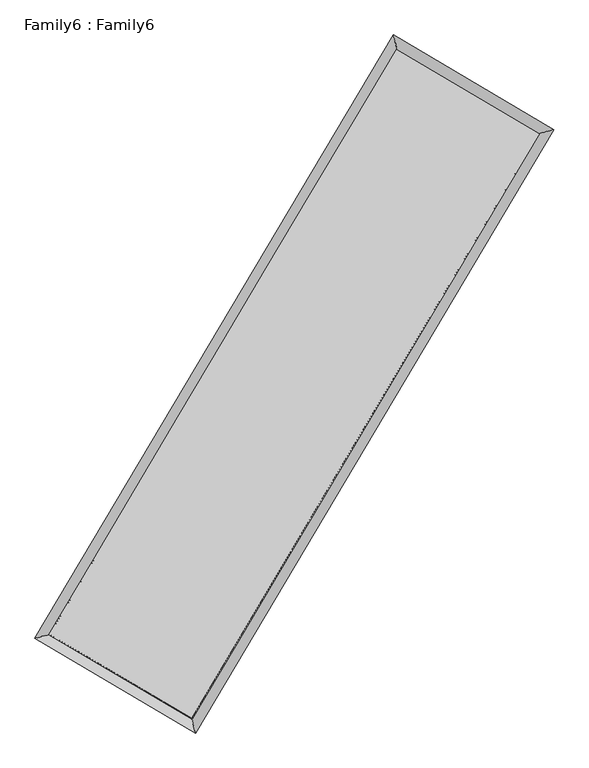
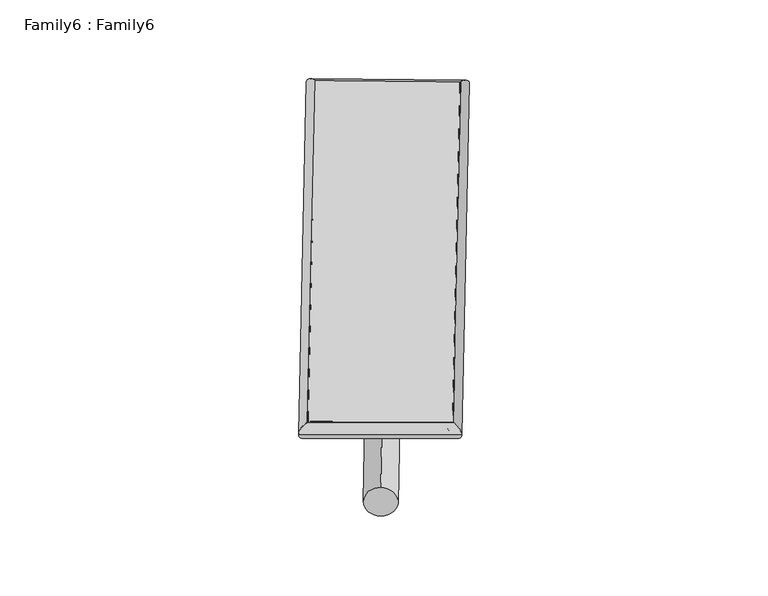
"""IFC4 building model written with IfcOpenShell, lengths in millimetres: plate geometry, Family6 : Family6."""

import ifcopenshell
import ifcopenshell.guid

model = None  # the IFC model being written
_history = None  # IfcOwnerHistory: only IFC2X3 demands one
_inside = {}  # id of a spatial element -> (the spatial element, [elements in it])
_under = {}  # id of a project, library or spatial element -> (it, [spatial elements below it])
_declared = {}  # id of a project -> (the project, [libraries it declares])
_typed = {}  # id of a type object -> (the type object, [elements of that type])
_made_of = {}  # id of a material, layer set ... -> (it, [elements and type objects made of it])


def new_model(schema):
    """Start an empty IFC model of exactly this schema.

    Asked for "IFC4X3", IfcOpenShell would pick the latest addendum, in which some entities
    have other attributes; the version numbers below select the first issue.
    IFC2X3 requires an IfcOwnerHistory on every rooted entity: one is made here for all.
    """
    global model, _history
    if schema == "IFC4X3":
        model = ifcopenshell.file(schema_version=(4, 3, 0, 0))
    else:
        model = ifcopenshell.file(schema=schema)
    _inside.clear()
    _under.clear()
    _declared.clear()
    _typed.clear()
    _made_of.clear()
    _history = None
    if model.schema == "IFC2X3":
        org = make("IfcOrganization", Name="unknown")
        user = make(
            "IfcPersonAndOrganization",
            ThePerson=make("IfcPerson", FamilyName="unknown"),
            TheOrganization=org,
        )
        app = make(
            "IfcApplication",
            ApplicationDeveloper=org,
            Version="unknown",
            ApplicationFullName="unknown",
            ApplicationIdentifier="unknown",
        )
        _history = make(
            "IfcOwnerHistory",
            OwningUser=user,
            OwningApplication=app,
            ChangeAction="ADDED",
            CreationDate=0,
        )
    return model


def make(cls, **values):
    """One entity of the class cls with the attributes given. An attribute that is None is left unset."""
    return model.create_entity(
        cls, **{name: value for name, value in values.items() if value is not None}
    )


def rooted(cls, **values):
    """An entity with a GlobalId (a new one), such as an element, a storey or a relation."""
    return make(cls, GlobalId=ifcopenshell.guid.new(), OwnerHistory=_history, **values)


def si_unit(unit_type, name, prefix=None):
    """IfcSIUnit, for example si_unit("LENGTHUNIT", "METRE", prefix="MILLI")."""
    return make("IfcSIUnit", UnitType=unit_type, Prefix=prefix, Name=name)


def assignment(units):
    """IfcUnitAssignment: the units of a project."""
    return None if units is None else make("IfcUnitAssignment", Units=units)


def point(xyz):
    """IfcCartesianPoint."""
    return None if xyz is None else make("IfcCartesianPoint", Coordinates=xyz)


def direction(xyz):
    """IfcDirection."""
    return None if xyz is None else make("IfcDirection", DirectionRatios=xyz)


def frame(location, z_axis=None, x_axis=None):
    """IfcAxis2Placement3D, a coordinate frame: its origin and axes. An axis left out is left unset."""
    return make(
        "IfcAxis2Placement3D",
        Location=point(location),
        Axis=direction(z_axis),
        RefDirection=direction(x_axis),
    )


def frame_2d(location, x_axis=None):
    """IfcAxis2Placement2D, a coordinate frame in the plane: its origin and x axis."""
    return make(
        "IfcAxis2Placement2D", Location=point(location), RefDirection=direction(x_axis)
    )


def origin():
    """The frame at (0, 0, 0) with its axes left unset."""
    return frame((0.0, 0.0, 0.0))


def origin_2d():
    """The frame at (0, 0) in the plane with its x axis left unset."""
    return frame_2d((0.0, 0.0))


def place(relative_to, where):
    """IfcLocalPlacement: puts the frame where relative to a parent placement (None: the world)."""
    return make(
        "IfcLocalPlacement", PlacementRelTo=relative_to, RelativePlacement=where
    )


def context(
    kind, dimensions, precision=None, world=None, true_north=None, identifier=None
):
    """IfcGeometricRepresentationContext, for example the 3D "Model" context."""
    return make(
        "IfcGeometricRepresentationContext",
        ContextIdentifier=identifier,
        ContextType=kind,
        CoordinateSpaceDimension=dimensions,
        Precision=precision,
        WorldCoordinateSystem=world,
        TrueNorth=true_north,
    )


def project(units=None, contexts=None):
    """IfcProject with its units and contexts."""
    return rooted(
        "IfcProject",
        Name="project",
        RepresentationContexts=contexts,
        UnitsInContext=assignment(units),
    )


def spatial(cls, under=None, at=None, **own):
    """A site, building, storey or space (cls), placed at a placement, below another one or the project."""
    s = rooted(cls, ObjectPlacement=at, **own)
    if under is not None:
        _under.setdefault(under.id(), (under, []))[1].append(s)
    return s


def circle_curve(where, radius):
    """IfcCircle in the frame where."""
    return make("IfcCircle", Position=where, Radius=radius)


def ellipse_curve(where, semi_axis1, semi_axis2):
    """IfcEllipse in the frame where."""
    return make(
        "IfcEllipse", Position=where, SemiAxis1=semi_axis1, SemiAxis2=semi_axis2
    )


def trimmed(basis, trim1, trim2, sense, master):
    """IfcTrimmedCurve: the piece of a basis curve between two trims."""
    return make(
        "IfcTrimmedCurve",
        BasisCurve=basis,
        Trim1=trim1,
        Trim2=trim2,
        SenseAgreement=sense,
        MasterRepresentation=master,
    )


def segment(curve, same_sense, transition):
    """IfcCompositeCurveSegment."""
    return make(
        "IfcCompositeCurveSegment",
        Transition=transition,
        SameSense=same_sense,
        ParentCurve=curve,
    )


def composite_curve(segments, self_intersect=None):
    """IfcCompositeCurve: segments joined end to end."""
    return make("IfcCompositeCurve", Segments=segments, SelfIntersect=self_intersect)


def outline(outer, holes=None, kind="AREA"):
    """IfcArbitraryClosedProfileDef: a profile drawn as a closed curve; with holes, ...WithVoids."""
    if holes is None:
        return make("IfcArbitraryClosedProfileDef", ProfileType=kind, OuterCurve=outer)
    return make(
        "IfcArbitraryProfileDefWithVoids",
        ProfileType=kind,
        OuterCurve=outer,
        InnerCurves=holes,
    )


def extrude(swept, where, along, depth):
    """IfcExtrudedAreaSolid: the profile swept, set in the frame where, extruded along a direction by depth."""
    return make(
        "IfcExtrudedAreaSolid",
        SweptArea=swept,
        Position=where,
        ExtrudedDirection=direction(along),
        Depth=depth,
    )


def shape(context_of_items, identifier, shape_type, items):
    """IfcShapeRepresentation: the items that make up one representation, for example the "Body"."""
    return make(
        "IfcShapeRepresentation",
        ContextOfItems=context_of_items,
        RepresentationIdentifier=identifier,
        RepresentationType=shape_type,
        Items=items,
    )


def source(mapping_origin, context_of_items, identifier, shape_type, items):
    """IfcRepresentationMap: a shape defined once, which mapped items show again and again."""
    return make(
        "IfcRepresentationMap",
        MappingOrigin=mapping_origin,
        MappedRepresentation=shape(context_of_items, identifier, shape_type, items),
    )


def transform(
    local_origin,
    x_axis=None,
    y_axis=None,
    z_axis=None,
    scale=None,
    scale2=None,
    scale3=None,
    uniform=True,
):
    """IfcCartesianTransformationOperator3D, or its non-uniform kind. x_axis, y_axis, z_axis: its Axis1, 2, 3."""
    if uniform:
        return make(
            "IfcCartesianTransformationOperator3D",
            Axis1=direction(x_axis),
            Axis2=direction(y_axis),
            LocalOrigin=point(local_origin),
            Scale=scale,
            Axis3=direction(z_axis),
        )
    return make(
        "IfcCartesianTransformationOperator3DnonUniform",
        Axis1=direction(x_axis),
        Axis2=direction(y_axis),
        LocalOrigin=point(local_origin),
        Scale=scale,
        Axis3=direction(z_axis),
        Scale2=scale2,
        Scale3=scale3,
    )


def mapped(mapping_source, mapping_target):
    """IfcMappedItem: shows the shape of a source again, moved by a transform."""
    return make(
        "IfcMappedItem", MappingSource=mapping_source, MappingTarget=mapping_target
    )


def made_of(thing, what):
    """Note that an element or type object is made of a material, layer set ...; save() writes the relation."""
    if what is not None:
        _made_of.setdefault(what.id(), (what, []))[1].append(thing)
    return thing


def element(
    cls,
    number,
    at=None,
    inside=None,
    cuts=None,
    type_object=None,
    material=None,
    context=None,
    identifier="Body",
    shape_type=None,
    held_by="IfcProductDefinitionShape",
    body=None,
    shapes=None,
    **own,
):
    """One element of the class cls, such as IfcWall. Its Tag is "e" and its number.

    at: its placement. inside: the storey or other place that contains it. cuts: it is an
    opening in that element (IfcRelVoidsElement). A single representation is given by context,
    identifier, shape_type and body (its items); several are given by shapes. held_by: the class
    of the entity that holds the representations. save() writes the other relations.
    """
    e = rooted(cls, Tag="e%d" % number, ObjectPlacement=at, **own)
    if body is not None:
        shapes = [shape(context, identifier, shape_type, body)]
    if shapes is not None:
        e.Representation = make(held_by, Representations=shapes)
    if inside is not None:
        _inside.setdefault(inside.id(), (inside, []))[1].append(e)
    if cuts is not None:
        rooted(
            "IfcRelVoidsElement", RelatingBuildingElement=cuts, RelatedOpeningElement=e
        )
    if type_object is not None:
        _typed.setdefault(type_object.id(), (type_object, []))[1].append(e)
    return made_of(e, material)


def aggregate(whole, parts):
    """IfcRelAggregates: a whole, such as a stair, and the parts it consists of."""
    return rooted("IfcRelAggregates", RelatingObject=whole, RelatedObjects=parts)


def save(model, path):
    """Write the relations noted so far, then the file.

    IfcRelAggregates (storeys below a building ...), IfcRelContainedInSpatialStructure (elements
    in a storey), IfcRelDefinesByType, IfcRelAssociatesMaterial and IfcRelDeclares: one each for
    every whole, place, type object, material and project.
    """
    for whole, parts in _under.values():
        aggregate(whole, parts)
    for where, things in _inside.values():
        rooted(
            "IfcRelContainedInSpatialStructure",
            RelatedElements=things,
            RelatingStructure=where,
        )
    for kind, things in _typed.values():
        rooted("IfcRelDefinesByType", RelatedObjects=things, RelatingType=kind)
    for what, things in _made_of.values():
        rooted("IfcRelAssociatesMaterial", RelatedObjects=things, RelatingMaterial=what)
    for by, libraries in _declared.values():
        rooted("IfcRelDeclares", RelatingContext=by, RelatedDefinitions=libraries)
    model.write(path)


def plane_surface(at):
    """IfcPlane: the flat surface through the origin of the frame at, square to its z axis."""
    return make("IfcPlane", Position=at)


def cylinder_surface(at, radius):
    """IfcCylindricalSurface: all points at the distance radius from the z axis of the frame at."""
    return make("IfcCylindricalSurface", Position=at, Radius=radius)


def spline_surface(u_degree, v_degree, points, u_multiplicities, v_multiplicities, u_knots, v_knots, weights=None):
    """IfcBSplineSurfaceWithKnots; with weights, IfcRationalBSplineSurfaceWithKnots. points: one row for each step in u."""
    own = dict(
        UDegree=u_degree,
        VDegree=v_degree,
        ControlPointsList=[[point(p) for p in row] for row in points],
        SurfaceForm="UNSPECIFIED",
        UClosed=False,
        VClosed=False,
        SelfIntersect=False,
        UMultiplicities=u_multiplicities,
        VMultiplicities=v_multiplicities,
        UKnots=u_knots,
        VKnots=v_knots,
        KnotSpec="UNSPECIFIED",
    )
    if weights is None:
        return make("IfcBSplineSurfaceWithKnots", **own)
    return make("IfcRationalBSplineSurfaceWithKnots", WeightsData=weights, **own)


def advanced_brep(points, edges, surfaces, faces):
    """IfcAdvancedBrep: a solid bounded by faces that lie on surfaces and meet in shared edges.

    An edge is (start, end): straight between two places in points (the first is 0);
    or (start, end, curve); or (start, end, curve, False) where it runs against its curve.
    A face is (place in surfaces, loops), or (place, loops, False) where it looks against
    its surface's normal. A loop lists edges by number (the first is 1), with a minus sign
    where the edge is run from its end to its start. The first loop is the outer one.
    """
    corners = [point(p) for p in points]
    vertices = [make("IfcVertexPoint", VertexGeometry=c) for c in corners]
    made = []
    for start, end, *more in edges:
        made.append(
            make(
                "IfcEdgeCurve",
                EdgeStart=vertices[start],
                EdgeEnd=vertices[end],
                EdgeGeometry=more[0] if more else make("IfcPolyline", Points=[corners[start], corners[end]]),
                SameSense=more[1] if len(more) > 1 else True,
            )
        )
    hull = []
    for where, loops, *sense in faces:
        bounds = []
        for j, loop in enumerate(loops):
            ring = [make("IfcOrientedEdge", EdgeElement=made[abs(k) - 1], Orientation=k > 0) for k in loop]
            bounds.append(
                make(
                    "IfcFaceOuterBound" if j == 0 else "IfcFaceBound",
                    Bound=make("IfcEdgeLoop", EdgeList=ring),
                    Orientation=True,
                )
            )
        hull.append(make("IfcAdvancedFace", Bounds=bounds, FaceSurface=surfaces[where], SameSense=sense[0] if sense else True))
    return make("IfcAdvancedBrep", Outer=make("IfcClosedShell", CfsFaces=hull))


def family6_family6_b0c54675(model_context):
    return source(origin(), model_context, "Body", "SolidModel", [
        extrude(outline(composite_curve([segment(trimmed(circle_curve(origin_2d(), 76.2), [point((-75.4341514, -10.7763073))], [point((75.4341514, 10.7763073))], False, "CARTESIAN"), True, "CONTINUOUS"), segment(trimmed(circle_curve(origin_2d(), 76.2), [point((75.4341514, 10.7763073))], [point((-75.4341514, -10.7763073))], False, "CARTESIAN"), True, "CONTINUOUS")], self_intersect=False)), frame((9144.0, 9144.0, 0.0), z_axis=(0.6735720022885241, 0.6872191155788132, 0.2720857308204575), x_axis=(-0.6791672552516157, 0.7207054562642017, -0.13898015939333003)), (0.0, 0.0, 1.0), 5569.8427399),
        extrude(outline(composite_curve([segment(trimmed(circle_curve(origin_2d(), 76.2), [point((-53.8815367, 53.8815368))], [point((53.8815367, -53.8815368))], False, "CARTESIAN"), True, "CONTINUOUS"), segment(trimmed(circle_curve(origin_2d(), 76.2), [point((53.8815367, -53.8815368))], [point((-53.8815367, 53.8815368))], False, "CARTESIAN"), True, "CONTINUOUS")], self_intersect=False)), frame((9144.0, 9144.0, 0.0), z_axis=(-0.6737752279911029, -0.687025049641472, 0.2720726434441182), x_axis=(0.6406390901459785, -0.3596181837785868, 0.6784219321872809)), (0.0, 0.0, 1.0), 5570.1849213),
        extrude(outline(composite_curve([segment(trimmed(circle_curve(origin_2d(), 76.2), [point((-53.8815367, -53.8815367))], [point((53.8815367, 53.8815367))], False, "CARTESIAN"), True, "CONTINUOUS"), segment(trimmed(circle_curve(origin_2d(), 76.2), [point((53.8815367, 53.8815367))], [point((-53.8815367, -53.8815367))], False, "CARTESIAN"), True, "CONTINUOUS")], self_intersect=False)), frame((9144.0, 9144.0, 0.0), z_axis=(0.2810625362451459, 0.9195212950497594, 0.2747443150812396), x_axis=(-0.8387387742500297, 0.37448767806906813, -0.3953179069356657)), (0.0, 0.0, 1.0), 5565.8476054),
        extrude(outline(composite_curve([segment(trimmed(circle_curve(origin_2d(), 76.2), [point((-75.4341514, 10.7763074))], [point((75.4341514, -10.7763074))], False, "CARTESIAN"), True, "CONTINUOUS"), segment(trimmed(circle_curve(origin_2d(), 76.2), [point((75.4341514, -10.7763074))], [point((-75.4341514, 10.7763074))], False, "CARTESIAN"), True, "CONTINUOUS")], self_intersect=False)), frame((9144.0, 9144.0, 0.0), z_axis=(-0.2807689709056762, -0.9196085596622728, 0.27475240121325184), x_axis=(0.8764469274098714, -0.12899166690682048, 0.4638986239496681)), (0.0, 0.0, 1.0), 5565.6730182),
        advanced_brep(
        [(5181.7989207, 5263.5502352, 1516.5929388), (5600.1023126, 5370.7456643, 1516.8806372), (5600.0958487, 5370.7366207, 1514.3969332), (10761.7374297, 14053.4901133, 1527.6859638), (10654.965059, 14470.3406831, 1530.6840126), (5181.7924568, 5263.5411915, 1514.1092349), (12686.5887461, 12918.1067464, 1515.620982), (13104.7915074, 13025.2980569, 1515.3284829), (7527.8841336, 4234.18414, 1528.9267987), (7634.7792949, 3817.3347643, 1529.4372535)],
        [
            (0, 1, ellipse_curve(frame((5390.9473847, 5317.1434279, 1515.494936), z_axis=(-0.24823806133078363, 0.9686947732939698, -0.002881162903876056), x_axis=(-0.9686845857804365, -0.24824951264787032, -0.004727868597927837)), 215.919054, 152.4)),
            (1, 2, ellipse_curve(frame((5390.9473847, 5317.1434279, 1515.494936), z_axis=(-0.24823806133078363, 0.9686947732939698, -0.002881162903876056), x_axis=(-0.9686845857804365, -0.24824951264787032, -0.004727868597927837)), 215.919054, 152.4)),
            (2, 3),
            (3, 4, ellipse_curve(frame((10708.3512443, 14261.9153982, 1529.1849882), z_axis=(-0.9687176676792443, -0.24814869085046576, 0.00288228299881697), x_axis=(0.24813363624576087, -0.9687141376589391, -0.004755845156700651)), 215.159606, 152.4)),
            (4, 0),
            (2, 5, ellipse_curve(frame((5390.9473847, 5317.1434279, 1515.494936), z_axis=(-0.24823806133078363, 0.9686947732939698, -0.002881162903876056), x_axis=(-0.9686845857804365, -0.24824951264787032, -0.004727868597927837)), 215.919054, 152.4)),
            (5, 0, ellipse_curve(frame((5390.9473847, 5317.1434279, 1515.494936), z_axis=(-0.24823806133078363, 0.9686947732939698, -0.002881162903876056), x_axis=(-0.9686845857804365, -0.24824951264787032, -0.004727868597927837)), 215.919054, 152.4)),
            (4, 3, ellipse_curve(frame((10708.3512443, 14261.9153982, 1529.1849882), z_axis=(-0.9687176676792443, -0.24814869085046576, 0.00288228299881697), x_axis=(0.24813363624576087, -0.9687141376589391, -0.004755845156700651)), 215.159606, 152.4)),
            (3, 6),
            (6, 7, ellipse_curve(frame((12895.6901267, 12971.7024016, 1515.4747324), z_axis=(-0.24828511593892577, 0.9686826860945299, 0.002890478140515413), x_axis=(-0.9686724404520355, -0.24829663835521545, 0.004741570435711364)), 215.8626356, 152.4)),
            (7, 4),
            (7, 6, ellipse_curve(frame((12895.6901267, 12971.7024016, 1515.4747324), z_axis=(-0.24828511593892577, 0.9686826860945299, 0.002890478140515413), x_axis=(-0.9686724404520355, -0.24829663835521545, 0.004741570435711364)), 215.8626356, 152.4)),
            (6, 8),
            (8, 9, ellipse_curve(frame((7581.3317143, 4025.7594521, 1529.1820261), z_axis=(0.9686530454373831, 0.24840096810446674, 0.002869949415295105), x_axis=(-0.24838600138174816, 0.9686495104673452, -0.004745544116210451)), 215.1700309, 152.4)),
            (9, 7),
            (9, 8, ellipse_curve(frame((7581.3317143, 4025.7594521, 1529.1820261), z_axis=(0.9686530454373831, 0.24840096810446674, 0.002869949415295105), x_axis=(-0.24838600138174816, 0.9686495104673452, -0.004745544116210451)), 215.1700309, 152.4)),
            (8, 1),
            (5, 9),
        ],
        [
            cylinder_surface(frame((5390.9473847, 5317.1434279, 1515.494936), z_axis=(-0.5109961972114115, -0.8595819656309756, -0.0013155977595943591), x_axis=(-0.8595572045732589, 0.5109684298951306, 0.008525005378882714)), 152.4),
            cylinder_surface(frame((10708.3512443, 14261.9153982, 1529.1849882), z_axis=(-0.8613113218549051, 0.5080488764117197, 0.005398705524965702), x_axis=(0.508071956654305, 0.8613031014414664, 0.004455817408422639)), 152.4),
            cylinder_surface(frame((12895.6901267, 12971.7024016, 1515.4747324), z_axis=(0.5107304854501542, 0.8597398652434898, -0.0013173241651551137), x_axis=(0.8597407983540761, -0.5107304854501542, 0.0003617697415314687)), 152.4),
            cylinder_surface(frame((7581.3317143, 4025.7594521, 1529.1820261), z_axis=(0.8614190046565038, -0.5078664433490271, 0.00538276291577704), x_axis=(-0.5078532318023834, -0.8614357071648716, -0.00369017197867069)), 152.4),
        ],
        [
            (0, [[1, 2, 3, 4, 5]]),
            (0, [[6, 7, -5, 8, -3]]),
            (1, [[-4, 9, 10, 11]]),
            (1, [[-8, -11, 12, -9]]),
            (2, [[-10, 13, 14, 15]]),
            (2, [[-12, -15, 16, -13]]),
            (3, [[-14, 17, -1, -7, 18]]),
            (3, [[-16, -18, -6, -2, -17]]),
        ],
    ),
        extrude(outline(composite_curve([segment(trimmed(circle_curve(origin_2d(), 304.8), [point((0.0, -304.8))], [point((0.0, 304.8))], False, "CARTESIAN"), True, "CONTINUOUS"), segment(trimmed(circle_curve(origin_2d(), 304.8), [point((0.0, 304.8))], [point((0.0, -304.8))], False, "CARTESIAN"), True, "CONTINUOUS")], self_intersect=False)), frame((6482.0626526, 4648.4001939, -0.0001055), z_axis=(0.5095017909992854, 0.8604695956095835, 2.019626101377126e-08), x_axis=(-0.8604695956095837, 0.5095017909992854, 5.530878431062975e-09)), (0.0, 0.0, 1.0), 10449.1775864),
        advanced_brep(
        [(5390.9473847, 5317.1434279, 1515.494936), (7581.3317143, 4025.7594521, 1529.1820261), (7581.331926, 4025.7594672, 1681.5820261), (5390.9475964, 5317.1434429, 1667.894936), (12895.6901267, 12971.7024016, 1515.4747324), (12895.6903385, 12971.7024166, 1667.8747324), (10708.3512443, 14261.9153982, 1529.1849882), (10708.3514561, 14261.9154132, 1681.5849882)],
        [
            (0, 1),
            (1, 2),
            (2, 3),
            (3, 0),
            (1, 4),
            (4, 5),
            (5, 2),
            (4, 6),
            (6, 7),
            (7, 5),
            (6, 0),
            (3, 7),
        ],
        [
            plane_surface(frame((6486.1395495, 4671.45144, 1522.3384811), z_axis=(-0.507873804669818, -0.8614314822024899, 7.904355379981069e-07), x_axis=(0.8614190046565039, -0.5078664433490271, 0.005382762915777043))),
            plane_surface(frame((10238.5109205, 8498.7309269, 1522.3283793), z_axis=(0.8597406104459192, -0.5107309298924138, -1.1440842591973989e-06), x_axis=(0.5107304854501542, 0.8597398652434898, -0.0013173241651551124))),
            plane_surface(frame((11802.0206855, 13616.8088999, 1522.3298603), z_axis=(0.5080562766983711, 0.8613238761968479, -7.906784373688629e-07), x_axis=(-0.8613113218549052, 0.5080488764117195, 0.005398705524965704))),
            plane_surface(frame((8049.6493145, 9789.5294131, 1522.3399621), z_axis=(-0.8595827102814866, 0.5109966381335848, 1.1438387176902418e-06), x_axis=(-0.510996197211412, -0.8595819656309751, -0.0013155977595943565))),
            spline_surface(1, 1, [[(7581.331926, 4025.7594672, 1681.5820261), (5390.9475964, 5317.1434429, 1667.894936)], [(12895.6903385, 12971.7024166, 1667.8747324), (10708.3514561, 14261.9154132, 1681.5849882)]], [2, 2], [2, 2], [0.0, 1.0], [0.0, 1.0]),
            spline_surface(1, 1, [[(10708.3512443, 14261.9153982, 1529.1849882), (5390.9473847, 5317.1434279, 1515.494936)], [(12895.6901267, 12971.7024016, 1515.4747324), (7581.3317143, 4025.7594521, 1529.1820261)]], [2, 2], [2, 2], [0.0, 1.0], [0.0, 1.0]),
        ],
        [
            (0, [[1, 2, 3, 4]]),
            (1, [[5, 6, 7, -2]]),
            (2, [[8, 9, 10, -6]]),
            (3, [[11, -4, 12, -9]]),
            (4, [[-3, -7, -10, -12]]),
            (5, [[-11, -8, -5, -1]]),
        ],
    ),
    ])


if __name__ == "__main__":
    model = new_model("IFC4")
    model_context = context("Model", 3, world=origin())
    ifc_project = project(units=[si_unit("LENGTHUNIT", "METRE", prefix="MILLI")], contexts=[model_context])
    site = spatial("IfcSite", under=ifc_project)
    building = spatial("IfcBuilding", under=site)
    placement = place(None, origin())
    family6_family6_shape = family6_family6_b0c54675(model_context)
    element("IfcPlate", 1, ObjectType="Family6 : Family6", at=placement, inside=building, context=model_context, shape_type="MappedRepresentation", body=[
        mapped(family6_family6_shape, transform((0.0, 0.0, 0.0), x_axis=(1.0, 0.0, 0.0), y_axis=(0.0, 1.0, 0.0), z_axis=(0.0, 0.0, 1.0))),
    ])
    save(model, "model.ifc")
